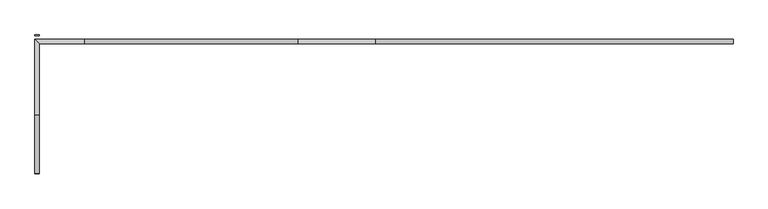
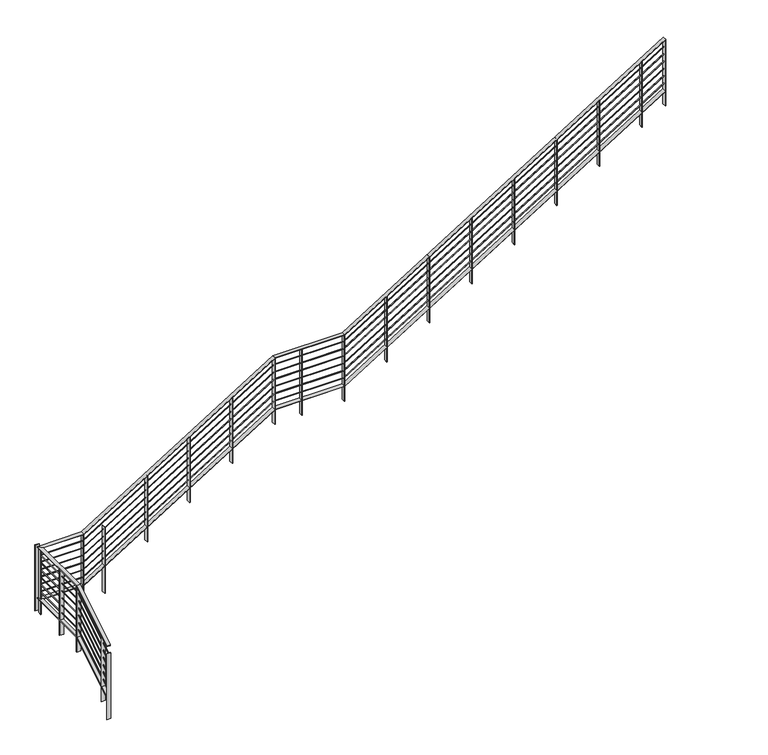
"""IFC4 building model written with IfcOpenShell, lengths in millimetres: railing geometry."""

from ifc_helpers import new_model, si_unit, frame, origin, place, context, project, spatial, polyline, outline, extrude, faceted_brep, source, transform, mapped, element, save


def railing_6a4cfb9c(model_context):
    return source(origin(), model_context, "Body", "SolidModel", [
        faceted_brep([(-6407.3027032, -1760.9140446, 1089.4567901), (-6407.3027032, -1760.9140446, 1081.974026), (-6356.5027032, -1760.9140446, 1081.974026), (-6356.5027032, -1760.9140446, 1089.4567901), (-6407.3027032, -1076.9311871, 1515.8357143), (-6407.3027032, -1075.1140446, 1509.4857143), (-6356.5027032, -1075.1140446, 1509.4857143), (-6356.5027032, -1076.9311871, 1515.8357143), (-6407.3027032, -179.7640446, 1515.8357143), (-6407.3027032, -179.7640446, 1509.4857143), (-6356.5027032, -230.5640446, 1509.4857143), (-6356.5027032, -230.5640446, 1515.8357143), (-5824.9198457, -179.7640446, 1515.8357143), (-5823.1027032, -179.7640446, 1509.4857143), (-5823.1027032, -230.5640446, 1509.4857143), (-5824.9198457, -230.5640446, 1515.8357143), (-3310.3198457, -179.7640446, 3083.3785714), (-3308.5027032, -179.7640446, 3077.0285714), (-3308.5027032, -230.5640446, 3077.0285714), (-3310.3198457, -230.5640446, 3083.3785714), (-2395.9198457, -179.7640446, 3083.3785714), (-2394.1027032, -179.7640446, 3077.0285714), (-2394.1027032, -230.5640446, 3077.0285714), (-2395.9198457, -230.5640446, 3083.3785714), (1822.2972968, -179.7640446, 5712.9165304), (1822.2972968, -230.5640446, 5712.9165304), (1822.2972968, -230.5640446, 5705.4337662), (1822.2972968, -179.7640446, 5705.4337662)], [[[0, 1, 2, 3]], [[1, 0, 4, 5]], [[2, 1, 5, 6]], [[3, 2, 6, 7]], [[0, 3, 7, 4]], [[5, 4, 8, 9]], [[6, 5, 9, 10]], [[7, 6, 10, 11]], [[4, 7, 11, 8]], [[9, 8, 12, 13]], [[10, 9, 13, 14]], [[11, 10, 14, 15]], [[8, 11, 15, 12]], [[13, 12, 16, 17]], [[14, 13, 17, 18]], [[15, 14, 18, 19]], [[12, 15, 19, 16]], [[17, 16, 20, 21]], [[18, 17, 21, 22]], [[19, 18, 22, 23]], [[16, 19, 23, 20]], [[24, 25, 26, 27]], [[21, 20, 24, 27]], [[22, 21, 27, 26]], [[23, 22, 26, 25]], [[20, 23, 25, 24]]]),
        faceted_brep([(-6385.0777032, -1760.9140446, 984.1154081), (-6385.0777032, -1760.9140446, 976.6326439), (-6378.7277032, -1760.9140446, 976.6326439), (-6378.7277032, -1760.9140446, 984.1154081), (-6385.0777032, -1076.0226158, 1411.0607143), (-6385.0777032, -1074.2054733, 1404.7107143), (-6378.7277032, -1074.2054733, 1404.7107143), (-6378.7277032, -1076.0226158, 1411.0607143), (-6385.0777032, -201.9890446, 1411.0607143), (-6385.0777032, -201.9890446, 1404.7107143), (-6378.7277032, -208.3390446, 1404.7107143), (-6378.7277032, -208.3390446, 1411.0607143), (-5824.0112744, -201.9890446, 1411.0607143), (-5822.1941319, -201.9890446, 1404.7107143), (-5822.1941319, -208.3390446, 1404.7107143), (-5824.0112744, -208.3390446, 1411.0607143), (-3309.4112744, -201.9890446, 2978.6035714), (-3307.5941319, -201.9890446, 2972.2535714), (-3307.5941319, -208.3390446, 2972.2535714), (-3309.4112744, -208.3390446, 2978.6035714), (-2395.0112744, -201.9890446, 2978.6035714), (-2393.1941319, -201.9890446, 2972.2535714), (-2393.1941319, -208.3390446, 2972.2535714), (-2395.0112744, -208.3390446, 2978.6035714), (1822.2972968, -201.9890446, 5607.5751483), (1822.2972968, -208.3390446, 5607.5751483), (1822.2972968, -208.3390446, 5600.0923842), (1822.2972968, -201.9890446, 5600.0923842)], [[[0, 1, 2, 3]], [[1, 0, 4, 5]], [[2, 1, 5, 6]], [[3, 2, 6, 7]], [[0, 3, 7, 4]], [[5, 4, 8, 9]], [[6, 5, 9, 10]], [[7, 6, 10, 11]], [[4, 7, 11, 8]], [[9, 8, 12, 13]], [[10, 9, 13, 14]], [[11, 10, 14, 15]], [[8, 11, 15, 12]], [[13, 12, 16, 17]], [[14, 13, 17, 18]], [[15, 14, 18, 19]], [[12, 15, 19, 16]], [[17, 16, 20, 21]], [[18, 17, 21, 22]], [[19, 18, 22, 23]], [[16, 19, 23, 20]], [[24, 25, 26, 27]], [[21, 20, 24, 27]], [[22, 21, 27, 26]], [[23, 22, 26, 25]], [[20, 23, 25, 24]]]),
        faceted_brep([(-6385.0777032, -1760.9140446, 882.5154081), (-6385.0777032, -1760.9140446, 875.0326439), (-6378.7277032, -1760.9140446, 875.0326439), (-6378.7277032, -1760.9140446, 882.5154081), (-6385.0777032, -1076.0226158, 1309.4607143), (-6385.0777032, -1074.2054733, 1303.1107143), (-6378.7277032, -1074.2054733, 1303.1107143), (-6378.7277032, -1076.0226158, 1309.4607143), (-6385.0777032, -201.9890446, 1309.4607143), (-6385.0777032, -201.9890446, 1303.1107143), (-6378.7277032, -208.3390446, 1303.1107143), (-6378.7277032, -208.3390446, 1309.4607143), (-5824.0112744, -201.9890446, 1309.4607143), (-5822.1941319, -201.9890446, 1303.1107143), (-5822.1941319, -208.3390446, 1303.1107143), (-5824.0112744, -208.3390446, 1309.4607143), (-3309.4112744, -201.9890446, 2877.0035714), (-3307.5941319, -201.9890446, 2870.6535714), (-3307.5941319, -208.3390446, 2870.6535714), (-3309.4112744, -208.3390446, 2877.0035714), (-2395.0112744, -201.9890446, 2877.0035714), (-2393.1941319, -201.9890446, 2870.6535714), (-2393.1941319, -208.3390446, 2870.6535714), (-2395.0112744, -208.3390446, 2877.0035714), (1822.2972968, -201.9890446, 5505.9751483), (1822.2972968, -208.3390446, 5505.9751483), (1822.2972968, -208.3390446, 5498.4923842), (1822.2972968, -201.9890446, 5498.4923842)], [[[0, 1, 2, 3]], [[1, 0, 4, 5]], [[2, 1, 5, 6]], [[3, 2, 6, 7]], [[0, 3, 7, 4]], [[5, 4, 8, 9]], [[6, 5, 9, 10]], [[7, 6, 10, 11]], [[4, 7, 11, 8]], [[9, 8, 12, 13]], [[10, 9, 13, 14]], [[11, 10, 14, 15]], [[8, 11, 15, 12]], [[13, 12, 16, 17]], [[14, 13, 17, 18]], [[15, 14, 18, 19]], [[12, 15, 19, 16]], [[17, 16, 20, 21]], [[18, 17, 21, 22]], [[19, 18, 22, 23]], [[16, 19, 23, 20]], [[24, 25, 26, 27]], [[21, 20, 24, 27]], [[22, 21, 27, 26]], [[23, 22, 26, 25]], [[20, 23, 25, 24]]]),
        faceted_brep([(-6385.0777032, -1760.9140446, 780.9154081), (-6385.0777032, -1760.9140446, 773.4326439), (-6378.7277032, -1760.9140446, 773.4326439), (-6378.7277032, -1760.9140446, 780.9154081), (-6385.0777032, -1076.0226158, 1207.8607143), (-6385.0777032, -1074.2054733, 1201.5107143), (-6378.7277032, -1074.2054733, 1201.5107143), (-6378.7277032, -1076.0226158, 1207.8607143), (-6385.0777032, -201.9890446, 1207.8607143), (-6385.0777032, -201.9890446, 1201.5107143), (-6378.7277032, -208.3390446, 1201.5107143), (-6378.7277032, -208.3390446, 1207.8607143), (-5824.0112744, -201.9890446, 1207.8607143), (-5822.1941319, -201.9890446, 1201.5107143), (-5822.1941319, -208.3390446, 1201.5107143), (-5824.0112744, -208.3390446, 1207.8607143), (-3309.4112744, -201.9890446, 2775.4035714), (-3307.5941319, -201.9890446, 2769.0535714), (-3307.5941319, -208.3390446, 2769.0535714), (-3309.4112744, -208.3390446, 2775.4035714), (-2395.0112744, -201.9890446, 2775.4035714), (-2393.1941319, -201.9890446, 2769.0535714), (-2393.1941319, -208.3390446, 2769.0535714), (-2395.0112744, -208.3390446, 2775.4035714), (1822.2972968, -201.9890446, 5404.3751483), (1822.2972968, -208.3390446, 5404.3751483), (1822.2972968, -208.3390446, 5396.8923842), (1822.2972968, -201.9890446, 5396.8923842)], [[[0, 1, 2, 3]], [[1, 0, 4, 5]], [[2, 1, 5, 6]], [[3, 2, 6, 7]], [[0, 3, 7, 4]], [[5, 4, 8, 9]], [[6, 5, 9, 10]], [[7, 6, 10, 11]], [[4, 7, 11, 8]], [[9, 8, 12, 13]], [[10, 9, 13, 14]], [[11, 10, 14, 15]], [[8, 11, 15, 12]], [[13, 12, 16, 17]], [[14, 13, 17, 18]], [[15, 14, 18, 19]], [[12, 15, 19, 16]], [[17, 16, 20, 21]], [[18, 17, 21, 22]], [[19, 18, 22, 23]], [[16, 19, 23, 20]], [[24, 25, 26, 27]], [[21, 20, 24, 27]], [[22, 21, 27, 26]], [[23, 22, 26, 25]], [[20, 23, 25, 24]]]),
        faceted_brep([(-6385.0777032, -1760.9140446, 679.3154081), (-6385.0777032, -1760.9140446, 671.8326439), (-6378.7277032, -1760.9140446, 671.8326439), (-6378.7277032, -1760.9140446, 679.3154081), (-6385.0777032, -1076.0226158, 1106.2607143), (-6385.0777032, -1074.2054733, 1099.9107143), (-6378.7277032, -1074.2054733, 1099.9107143), (-6378.7277032, -1076.0226158, 1106.2607143), (-6385.0777032, -201.9890446, 1106.2607143), (-6385.0777032, -201.9890446, 1099.9107143), (-6378.7277032, -208.3390446, 1099.9107143), (-6378.7277032, -208.3390446, 1106.2607143), (-5824.0112744, -201.9890446, 1106.2607143), (-5822.1941319, -201.9890446, 1099.9107143), (-5822.1941319, -208.3390446, 1099.9107143), (-5824.0112744, -208.3390446, 1106.2607143), (-3309.4112744, -201.9890446, 2673.8035714), (-3307.5941319, -201.9890446, 2667.4535714), (-3307.5941319, -208.3390446, 2667.4535714), (-3309.4112744, -208.3390446, 2673.8035714), (-2395.0112744, -201.9890446, 2673.8035714), (-2393.1941319, -201.9890446, 2667.4535714), (-2393.1941319, -208.3390446, 2667.4535714), (-2395.0112744, -208.3390446, 2673.8035714), (1822.2972968, -201.9890446, 5302.7751483), (1822.2972968, -208.3390446, 5302.7751483), (1822.2972968, -208.3390446, 5295.2923842), (1822.2972968, -201.9890446, 5295.2923842)], [[[0, 1, 2, 3]], [[1, 0, 4, 5]], [[2, 1, 5, 6]], [[3, 2, 6, 7]], [[0, 3, 7, 4]], [[5, 4, 8, 9]], [[6, 5, 9, 10]], [[7, 6, 10, 11]], [[4, 7, 11, 8]], [[9, 8, 12, 13]], [[10, 9, 13, 14]], [[11, 10, 14, 15]], [[8, 11, 15, 12]], [[13, 12, 16, 17]], [[14, 13, 17, 18]], [[15, 14, 18, 19]], [[12, 15, 19, 16]], [[17, 16, 20, 21]], [[18, 17, 21, 22]], [[19, 18, 22, 23]], [[16, 19, 23, 20]], [[24, 25, 26, 27]], [[21, 20, 24, 27]], [[22, 21, 27, 26]], [[23, 22, 26, 25]], [[20, 23, 25, 24]]]),
        faceted_brep([(-6385.0777032, -1760.9140446, 577.7154081), (-6385.0777032, -1760.9140446, 570.2326439), (-6378.7277032, -1760.9140446, 570.2326439), (-6378.7277032, -1760.9140446, 577.7154081), (-6385.0777032, -1076.0226158, 1004.6607143), (-6385.0777032, -1074.2054733, 998.3107143), (-6378.7277032, -1074.2054733, 998.3107143), (-6378.7277032, -1076.0226158, 1004.6607143), (-6385.0777032, -201.9890446, 1004.6607143), (-6385.0777032, -201.9890446, 998.3107143), (-6378.7277032, -208.3390446, 998.3107143), (-6378.7277032, -208.3390446, 1004.6607143), (-5824.0112744, -201.9890446, 1004.6607143), (-5822.1941319, -201.9890446, 998.3107143), (-5822.1941319, -208.3390446, 998.3107143), (-5824.0112744, -208.3390446, 1004.6607143), (-3309.4112744, -201.9890446, 2572.2035714), (-3307.5941319, -201.9890446, 2565.8535714), (-3307.5941319, -208.3390446, 2565.8535714), (-3309.4112744, -208.3390446, 2572.2035714), (-2395.0112744, -201.9890446, 2572.2035714), (-2393.1941319, -201.9890446, 2565.8535714), (-2393.1941319, -208.3390446, 2565.8535714), (-2395.0112744, -208.3390446, 2572.2035714), (1822.2972968, -201.9890446, 5201.1751483), (1822.2972968, -208.3390446, 5201.1751483), (1822.2972968, -208.3390446, 5193.6923842), (1822.2972968, -201.9890446, 5193.6923842)], [[[0, 1, 2, 3]], [[1, 0, 4, 5]], [[2, 1, 5, 6]], [[3, 2, 6, 7]], [[0, 3, 7, 4]], [[5, 4, 8, 9]], [[6, 5, 9, 10]], [[7, 6, 10, 11]], [[4, 7, 11, 8]], [[9, 8, 12, 13]], [[10, 9, 13, 14]], [[11, 10, 14, 15]], [[8, 11, 15, 12]], [[13, 12, 16, 17]], [[14, 13, 17, 18]], [[15, 14, 18, 19]], [[12, 15, 19, 16]], [[17, 16, 20, 21]], [[18, 17, 21, 22]], [[19, 18, 22, 23]], [[16, 19, 23, 20]], [[24, 25, 26, 27]], [[21, 20, 24, 27]], [[22, 21, 27, 26]], [[23, 22, 26, 25]], [[20, 23, 25, 24]]]),
        faceted_brep([(-6385.0777032, -1760.9140446, 476.1154081), (-6385.0777032, -1760.9140446, 468.6326439), (-6378.7277032, -1760.9140446, 468.6326439), (-6378.7277032, -1760.9140446, 476.1154081), (-6385.0777032, -1076.0226158, 903.0607143), (-6385.0777032, -1074.2054733, 896.7107143), (-6378.7277032, -1074.2054733, 896.7107143), (-6378.7277032, -1076.0226158, 903.0607143), (-6385.0777032, -201.9890446, 903.0607143), (-6385.0777032, -201.9890446, 896.7107143), (-6378.7277032, -208.3390446, 896.7107143), (-6378.7277032, -208.3390446, 903.0607143), (-5824.0112744, -201.9890446, 903.0607143), (-5822.1941319, -201.9890446, 896.7107143), (-5822.1941319, -208.3390446, 896.7107143), (-5824.0112744, -208.3390446, 903.0607143), (-3309.4112744, -201.9890446, 2470.6035714), (-3307.5941319, -201.9890446, 2464.2535714), (-3307.5941319, -208.3390446, 2464.2535714), (-3309.4112744, -208.3390446, 2470.6035714), (-2395.0112744, -201.9890446, 2470.6035714), (-2393.1941319, -201.9890446, 2464.2535714), (-2393.1941319, -208.3390446, 2464.2535714), (-2395.0112744, -208.3390446, 2470.6035714), (1822.2972968, -201.9890446, 5099.5751483), (1822.2972968, -208.3390446, 5099.5751483), (1822.2972968, -208.3390446, 5092.0923842), (1822.2972968, -201.9890446, 5092.0923842)], [[[0, 1, 2, 3]], [[1, 0, 4, 5]], [[2, 1, 5, 6]], [[3, 2, 6, 7]], [[0, 3, 7, 4]], [[5, 4, 8, 9]], [[6, 5, 9, 10]], [[7, 6, 10, 11]], [[4, 7, 11, 8]], [[9, 8, 12, 13]], [[10, 9, 13, 14]], [[11, 10, 14, 15]], [[8, 11, 15, 12]], [[13, 12, 16, 17]], [[14, 13, 17, 18]], [[15, 14, 18, 19]], [[12, 15, 19, 16]], [[17, 16, 20, 21]], [[18, 17, 21, 22]], [[19, 18, 22, 23]], [[16, 19, 23, 20]], [[24, 25, 26, 27]], [[21, 20, 24, 27]], [[22, 21, 27, 26]], [[23, 22, 26, 25]], [[20, 23, 25, 24]]]),
        faceted_brep([(-6407.3027032, -1760.9140446, 378.2567901), (-6407.3027032, -1760.9140446, 370.774026), (-6356.5027032, -1760.9140446, 370.774026), (-6356.5027032, -1760.9140446, 378.2567901), (-6407.3027032, -1076.9311871, 804.6357143), (-6407.3027032, -1075.1140446, 798.2857143), (-6356.5027032, -1075.1140446, 798.2857143), (-6356.5027032, -1076.9311871, 804.6357143), (-6407.3027032, -179.7640446, 804.6357143), (-6407.3027032, -179.7640446, 798.2857143), (-6356.5027032, -230.5640446, 798.2857143), (-6356.5027032, -230.5640446, 804.6357143), (-5824.9198457, -179.7640446, 804.6357143), (-5823.1027032, -179.7640446, 798.2857143), (-5823.1027032, -230.5640446, 798.2857143), (-5824.9198457, -230.5640446, 804.6357143), (-3310.3198457, -179.7640446, 2372.1785714), (-3308.5027032, -179.7640446, 2365.8285714), (-3308.5027032, -230.5640446, 2365.8285714), (-3310.3198457, -230.5640446, 2372.1785714), (-2395.9198457, -179.7640446, 2372.1785714), (-2394.1027032, -179.7640446, 2365.8285714), (-2394.1027032, -230.5640446, 2365.8285714), (-2395.9198457, -230.5640446, 2372.1785714), (1822.2972968, -179.7640446, 5001.7165304), (1822.2972968, -230.5640446, 5001.7165304), (1822.2972968, -230.5640446, 4994.2337662), (1822.2972968, -179.7640446, 4994.2337662)], [[[0, 1, 2, 3]], [[1, 0, 4, 5]], [[2, 1, 5, 6]], [[3, 2, 6, 7]], [[0, 3, 7, 4]], [[5, 4, 8, 9]], [[6, 5, 9, 10]], [[7, 6, 10, 11]], [[4, 7, 11, 8]], [[9, 8, 12, 13]], [[10, 9, 13, 14]], [[11, 10, 14, 15]], [[8, 11, 15, 12]], [[13, 12, 16, 17]], [[14, 13, 17, 18]], [[15, 14, 18, 19]], [[12, 15, 19, 16]], [[17, 16, 20, 21]], [[18, 17, 21, 22]], [[19, 18, 22, 23]], [[16, 19, 23, 20]], [[24, 25, 26, 27]], [[21, 20, 24, 27]], [[22, 21, 27, 26]], [[23, 22, 26, 25]], [[20, 23, 25, 24]]]),
        extrude(outline(polyline([(952.3472968, -179.7640446), (958.6972968, -179.7640446), (958.6972968, -230.5640446), (952.3472968, -230.5640446), (952.3472968, -179.7640446)])), frame((0.0, 0.0, 4252.6857143), z_axis=(0.0, 0.0, 1.0), x_axis=(1.0, 0.0, 0.0)), (0.0, 0.0, 1.0), 914.4),
        extrude(outline(polyline([(393.5472968, -179.7640446), (399.8972968, -179.7640446), (399.8972968, -230.5640446), (393.5472968, -230.5640446), (393.5472968, -179.7640446)])), frame((0.0, 0.0, 3904.3428571), z_axis=(0.0, 0.0, 1.0), x_axis=(1.0, 0.0, 0.0)), (0.0, 0.0, 1.0), 914.4),
        extrude(outline(polyline([(-165.2527032, -179.7640446), (-158.9027032, -179.7640446), (-158.9027032, -230.5640446), (-165.2527032, -230.5640446), (-165.2527032, -179.7640446)])), frame((0.0, 0.0, 3556.0), z_axis=(0.0, 0.0, 1.0), x_axis=(1.0, 0.0, 0.0)), (0.0, 0.0, 1.0), 914.4),
        extrude(outline(polyline([(-724.0527032, -179.7640446), (-717.7027032, -179.7640446), (-717.7027032, -230.5640446), (-724.0527032, -230.5640446), (-724.0527032, -179.7640446)])), frame((0.0, 0.0, 3207.6571429), z_axis=(0.0, 0.0, 1.0), x_axis=(1.0, 0.0, 0.0)), (0.0, 0.0, 1.0), 914.4),
        extrude(outline(polyline([(-1282.8527032, -179.7640446), (-1276.5027032, -179.7640446), (-1276.5027032, -230.5640446), (-1282.8527032, -230.5640446), (-1282.8527032, -179.7640446)])), frame((0.0, 0.0, 2859.3142857), z_axis=(0.0, 0.0, 1.0), x_axis=(1.0, 0.0, 0.0)), (0.0, 0.0, 1.0), 914.4),
        extrude(outline(polyline([(-1841.6527032, -179.7640446), (-1835.3027032, -179.7640446), (-1835.3027032, -230.5640446), (-1841.6527032, -230.5640446), (-1841.6527032, -179.7640446)])), frame((0.0, 0.0, 2510.9714286), z_axis=(0.0, 0.0, 1.0), x_axis=(1.0, 0.0, 0.0)), (0.0, 0.0, 1.0), 914.4),
        extrude(outline(polyline([(-2959.2527032, -179.7640446), (-2952.9027032, -179.7640446), (-2952.9027032, -230.5640446), (-2959.2527032, -230.5640446), (-2959.2527032, -179.7640446)])), frame((0.0, 0.0, 2162.6285714), z_axis=(0.0, 0.0, 1.0), x_axis=(1.0, 0.0, 0.0)), (0.0, 0.0, 1.0), 914.4),
        extrude(outline(polyline([(-3873.6527032, -179.7640446), (-3867.3027032, -179.7640446), (-3867.3027032, -230.5640446), (-3873.6527032, -230.5640446), (-3873.6527032, -179.7640446)])), frame((0.0, 0.0, 1814.2857143), z_axis=(0.0, 0.0, 1.0), x_axis=(1.0, 0.0, 0.0)), (0.0, 0.0, 1.0), 914.4),
        extrude(outline(polyline([(-4432.4527032, -179.7640446), (-4426.1027032, -179.7640446), (-4426.1027032, -230.5640446), (-4432.4527032, -230.5640446), (-4432.4527032, -179.7640446)])), frame((0.0, 0.0, 1465.9428571), z_axis=(0.0, 0.0, 1.0), x_axis=(1.0, 0.0, 0.0)), (0.0, 0.0, 1.0), 914.4),
        extrude(outline(polyline([(-4991.2527032, -179.7640446), (-4984.9027032, -179.7640446), (-4984.9027032, -230.5640446), (-4991.2527032, -230.5640446), (-4991.2527032, -179.7640446)])), frame((0.0, 0.0, 1117.6), z_axis=(0.0, 0.0, 1.0), x_axis=(1.0, 0.0, 0.0)), (0.0, 0.0, 1.0), 914.4),
        extrude(outline(polyline([(-5550.0527032, -179.7640446), (-5543.7027032, -179.7640446), (-5543.7027032, -230.5640446), (-5550.0527032, -230.5640446), (-5550.0527032, -179.7640446)])), frame((0.0, 0.0, 595.0857143), z_axis=(0.0, 0.0, 1.0), x_axis=(1.0, 0.0, 0.0)), (0.0, 0.0, 1.0), 914.4),
        extrude(outline(polyline([(-6388.2527032, -179.7640446), (-6381.9027032, -179.7640446), (-6381.9027032, -230.5640446), (-6388.2527032, -230.5640446), (-6388.2527032, -179.7640446)])), frame((0.0, 0.0, 595.0857143), z_axis=(0.0, 0.0, 1.0), x_axis=(1.0, 0.0, 0.0)), (0.0, 0.0, 1.0), 914.4),
        extrude(outline(polyline([(-6407.3027032, -694.1140446), (-6407.3027032, -687.7640446), (-6356.5027032, -687.7640446), (-6356.5027032, -694.1140446), (-6407.3027032, -694.1140446)])), frame((0.0, 0.0, 595.0857143), z_axis=(0.0, 0.0, 1.0), x_axis=(1.0, 0.0, 0.0)), (0.0, 0.0, 1.0), 914.4),
        extrude(outline(polyline([(-6407.3027032, -1640.2640446), (-6407.3027032, -1633.9140446), (-6356.5027032, -1633.9140446), (-6356.5027032, -1640.2640446), (-6407.3027032, -1640.2640446)])), frame((0.0, 0.0, 246.7428571), z_axis=(0.0, 0.0, 1.0), x_axis=(1.0, 0.0, 0.0)), (0.0, 0.0, 1.0), 914.4),
        extrude(outline(polyline([(1511.1472968, -179.7640446), (1517.4972968, -179.7640446), (1517.4972968, -230.5640446), (1511.1472968, -230.5640446), (1511.1472968, -179.7640446)])), frame((0.0, 0.0, 4601.0285714), z_axis=(0.0, 0.0, 1.0), x_axis=(1.0, 0.0, 0.0)), (0.0, 0.0, 1.0), 914.4),
        extrude(outline(polyline([(-2400.4527032, -179.7640446), (-2394.1027032, -179.7640446), (-2394.1027032, -230.5640446), (-2400.4527032, -230.5640446), (-2400.4527032, -179.7640446)])), frame((0.0, 0.0, 2162.6285714), z_axis=(0.0, 0.0, 1.0), x_axis=(1.0, 0.0, 0.0)), (0.0, 0.0, 1.0), 914.4),
        extrude(outline(polyline([(-3314.8527032, -179.7640446), (-3308.5027032, -179.7640446), (-3308.5027032, -230.5640446), (-3314.8527032, -230.5640446), (-3314.8527032, -179.7640446)])), frame((0.0, 0.0, 2162.6285714), z_axis=(0.0, 0.0, 1.0), x_axis=(1.0, 0.0, 0.0)), (0.0, 0.0, 1.0), 914.4),
        extrude(outline(polyline([(-5829.4527032, -179.7640446), (-5823.1027032, -179.7640446), (-5823.1027032, -230.5640446), (-5829.4527032, -230.5640446), (-5829.4527032, -179.7640446)])), frame((0.0, 0.0, 595.0857143), z_axis=(0.0, 0.0, 1.0), x_axis=(1.0, 0.0, 0.0)), (0.0, 0.0, 1.0), 914.4),
        extrude(outline(polyline([(-6407.3027032, -135.3140446), (-6407.3027032, -128.9640446), (-6356.5027032, -128.9640446), (-6356.5027032, -135.3140446), (-6407.3027032, -135.3140446)])), frame((0.0, 0.0, 595.0857143), z_axis=(0.0, 0.0, 1.0), x_axis=(1.0, 0.0, 0.0)), (0.0, 0.0, 1.0), 914.4),
        extrude(outline(polyline([(-6407.3027032, -1081.4640446), (-6407.3027032, -1075.1140446), (-6356.5027032, -1075.1140446), (-6356.5027032, -1081.4640446), (-6407.3027032, -1081.4640446)])), frame((0.0, 0.0, 595.0857143), z_axis=(0.0, 0.0, 1.0), x_axis=(1.0, 0.0, 0.0)), (0.0, 0.0, 1.0), 914.4),
        extrude(outline(polyline([(1815.9472968, -179.7640446), (1822.2972968, -179.7640446), (1822.2972968, -230.5640446), (1815.9472968, -230.5640446), (1815.9472968, -179.7640446)])), frame((0.0, 0.0, 4791.0337662), z_axis=(0.0, 0.0, 1.0), x_axis=(1.0, 0.0, 0.0)), (0.0, 0.0, 1.0), 914.4),
        extrude(outline(polyline([(-6407.3027032, -1767.2640446), (-6407.3027032, -1760.9140446), (-6356.5027032, -1760.9140446), (-6356.5027032, -1767.2640446), (-6407.3027032, -1767.2640446)])), frame((0.0, 0.0, 72.5714286), z_axis=(0.0, 0.0, 1.0), x_axis=(1.0, 0.0, 0.0)), (0.0, 0.0, 1.0), 914.4),
    ])


if __name__ == "__main__":
    model = new_model("IFC4")
    model_context = context("Model", 3, world=origin())
    ifc_project = project(units=[si_unit("LENGTHUNIT", "METRE", prefix="MILLI")], contexts=[model_context])
    site = spatial("IfcSite", under=ifc_project)
    building = spatial("IfcBuilding", under=site)
    placement = place(None, origin())
    railing_shape = railing_6a4cfb9c(model_context)
    element("IfcRailing", 1, at=placement, inside=building, context=model_context, shape_type="MappedRepresentation", body=[
        mapped(railing_shape, transform((0.0, 0.0, 0.0), x_axis=(1.0, 0.0, 0.0), y_axis=(0.0, 1.0, 0.0), z_axis=(0.0, 0.0, 1.0))),
    ])
    save(model, "model.ifc")
